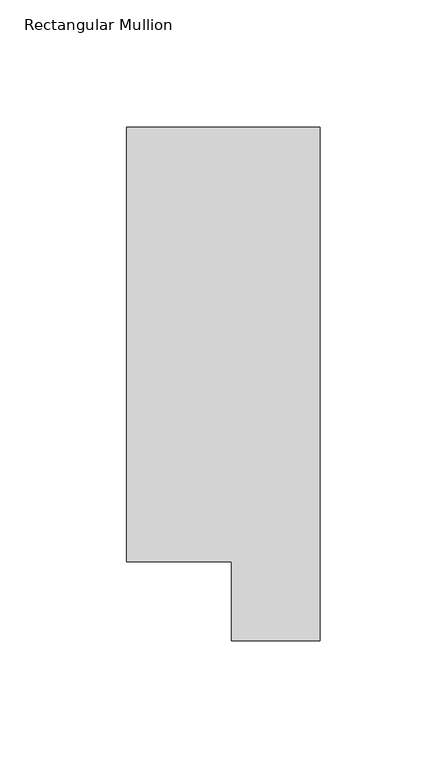
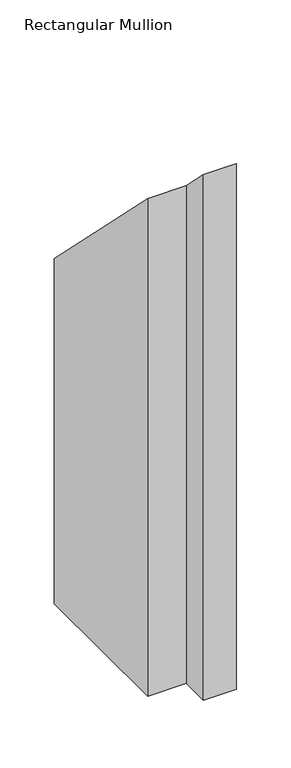
"""IFC4 building model written with IfcOpenShell, lengths in millimetres: member geometry, Rectangular Mullion."""

from ifc_helpers import new_model, si_unit, origin, place, context, project, spatial, faceted_brep, source, transform, mapped, element, save


def rectangular_mullion_96de06ff(model_context):
    return source(origin(), model_context, "Body", "Brep", [
        faceted_brep([(0.0, 222.0301313, -609.6), (0.0, 19.5667312, -609.6), (-34.9123, 19.5667312, -609.6), (-34.9123, 50.820278, -609.6), (-76.2, 50.820278, -609.6), (-76.2, 222.0301313, -609.6), (-76.2, 222.0301313, -222.0301312), (0.0, 222.0301313, -222.0301312), (-76.2, 50.820278, -50.820278), (-34.9123, 50.820278, -50.820278), (-34.9123, 19.5667312, -19.5667312), (0.0, 19.5667312, -19.5667312)], [[[0, 1, 2, 3, 4, 5]], [[6, 7, 0, 5]], [[8, 6, 5, 4]], [[9, 8, 4, 3]], [[10, 9, 3, 2]], [[11, 10, 2, 1]], [[7, 11, 1, 0]], [[7, 6, 8, 9, 10, 11]]]),
    ])


if __name__ == "__main__":
    model = new_model("IFC4")
    model_context = context("Model", 3, world=origin())
    ifc_project = project(units=[si_unit("LENGTHUNIT", "METRE", prefix="MILLI")], contexts=[model_context])
    site = spatial("IfcSite", under=ifc_project)
    building = spatial("IfcBuilding", under=site)
    placement = place(None, origin())
    rectangular_mullion_shape = rectangular_mullion_96de06ff(model_context)
    element("IfcMember", 1, ObjectType="Rectangular Mullion", at=placement, inside=building, context=model_context, shape_type="MappedRepresentation", body=[
        mapped(rectangular_mullion_shape, transform((0.0, 0.0, 0.0), x_axis=(1.0, 0.0, 0.0), y_axis=(0.0, 1.0, 0.0), z_axis=(0.0, 0.0, 1.0))),
    ])
    save(model, "model.ifc")
